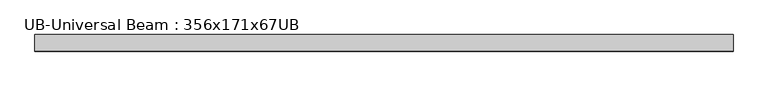
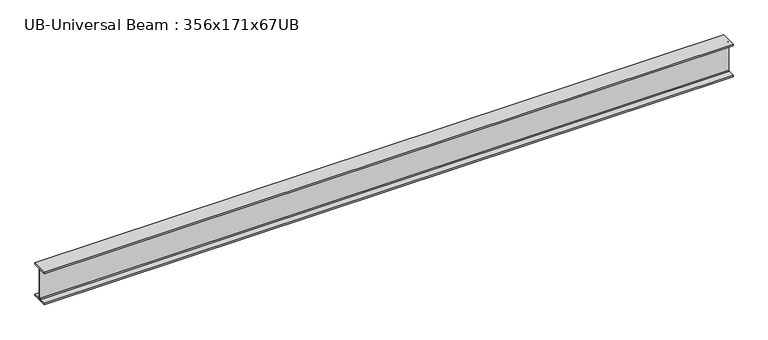
"""IFC4 building model written with IfcOpenShell, lengths in millimetres: beam geometry, UB-Universal Beam : 356x171x67UB."""

from ifc_helpers import new_model, si_unit, point, frame, frame_2d, origin, place, context, project, spatial, polyline, circle_curve, trimmed, segment, composite_curve, outline, extrude, source, transform, mapped, element, save


def ub_universal_beam_356x171x67ub_4380c289(model_context):
    return source(origin(), model_context, "Body", "SweptSolid", [
        extrude(outline(composite_curve([segment(polyline([(86.6, -166.0), (86.6, -181.7), (-86.6, -181.7), (-86.6, -166.0), (-14.75, -166.0)]), True, "CONTINUOUS"), segment(trimmed(circle_curve(frame_2d((-14.75, -155.8)), 10.2), [point((-14.75, -166.0))], [point((-4.55, -155.8))], True, "CARTESIAN"), True, "CONTINUOUS"), segment(polyline([(-4.55, -155.8), (-4.55, 155.8)]), True, "CONTINUOUS"), segment(trimmed(circle_curve(frame_2d((-14.75, 155.8)), 10.2), [point((-4.55, 155.8))], [point((-14.75, 166.0))], True, "CARTESIAN"), True, "CONTINUOUS"), segment(polyline([(-14.75, 166.0), (-86.6, 166.0), (-86.6, 181.7), (86.6, 181.7), (86.6, 166.0), (14.75, 166.0)]), True, "CONTINUOUS"), segment(trimmed(circle_curve(frame_2d((14.75, 155.8)), 10.2), [point((14.75, 166.0))], [point((4.55, 155.8))], True, "CARTESIAN"), True, "CONTINUOUS"), segment(polyline([(4.55, 155.8), (4.55, -155.8)]), True, "CONTINUOUS"), segment(trimmed(circle_curve(frame_2d((14.75, -155.8)), 10.2), [point((4.55, -155.8))], [point((14.75, -166.0))], True, "CARTESIAN"), True, "CONTINUOUS"), segment(polyline([(14.75, -166.0), (86.6, -166.0)]), True, "CONTINUOUS")], self_intersect=False)), frame((-3634.1696053, 0.0, 0.0), z_axis=(1.0, 0.0, 0.0), x_axis=(0.0, 1.0, 0.0)), (0.0, 0.0, 1.0), 7289.4696053),
    ])


if __name__ == "__main__":
    model = new_model("IFC4")
    model_context = context("Model", 3, world=origin())
    ifc_project = project(units=[si_unit("LENGTHUNIT", "METRE", prefix="MILLI")], contexts=[model_context])
    site = spatial("IfcSite", under=ifc_project)
    building = spatial("IfcBuilding", under=site)
    placement = place(None, origin())
    ub_universal_beam_356x171x67ub_shape = ub_universal_beam_356x171x67ub_4380c289(model_context)
    element("IfcBeam", 1, ObjectType="UB-Universal Beam : 356x171x67UB", at=placement, inside=building, context=model_context, shape_type="MappedRepresentation", body=[
        mapped(ub_universal_beam_356x171x67ub_shape, transform((0.0, 0.0, 0.0), x_axis=(1.0, 0.0, 0.0), y_axis=(0.0, 1.0, 0.0), z_axis=(0.0, 0.0, 1.0))),
    ])
    save(model, "model.ifc")
